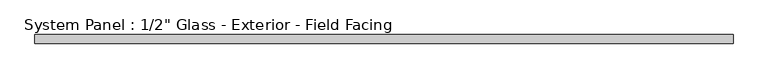
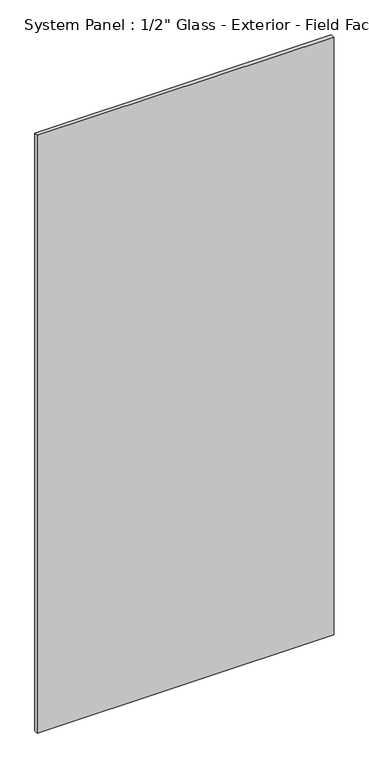
"""IFC4 building model written with IfcOpenShell, lengths in millimetres: plate geometry."""

import ifcopenshell
import ifcopenshell.guid

model = None  # the IFC model being written
_history = None  # IfcOwnerHistory: only IFC2X3 demands one
_inside = {}  # id of a spatial element -> (the spatial element, [elements in it])
_under = {}  # id of a project, library or spatial element -> (it, [spatial elements below it])
_declared = {}  # id of a project -> (the project, [libraries it declares])
_typed = {}  # id of a type object -> (the type object, [elements of that type])
_made_of = {}  # id of a material, layer set ... -> (it, [elements and type objects made of it])


def new_model(schema):
    """Start an empty IFC model of exactly this schema.

    Asked for "IFC4X3", IfcOpenShell would pick the latest addendum, in which some entities
    have other attributes; the version numbers below select the first issue.
    IFC2X3 requires an IfcOwnerHistory on every rooted entity: one is made here for all.
    """
    global model, _history
    if schema == "IFC4X3":
        model = ifcopenshell.file(schema_version=(4, 3, 0, 0))
    else:
        model = ifcopenshell.file(schema=schema)
    _inside.clear()
    _under.clear()
    _declared.clear()
    _typed.clear()
    _made_of.clear()
    _history = None
    if model.schema == "IFC2X3":
        org = make("IfcOrganization", Name="unknown")
        user = make(
            "IfcPersonAndOrganization",
            ThePerson=make("IfcPerson", FamilyName="unknown"),
            TheOrganization=org,
        )
        app = make(
            "IfcApplication",
            ApplicationDeveloper=org,
            Version="unknown",
            ApplicationFullName="unknown",
            ApplicationIdentifier="unknown",
        )
        _history = make(
            "IfcOwnerHistory",
            OwningUser=user,
            OwningApplication=app,
            ChangeAction="ADDED",
            CreationDate=0,
        )
    return model


def make(cls, **values):
    """One entity of the class cls with the attributes given. An attribute that is None is left unset."""
    return model.create_entity(
        cls, **{name: value for name, value in values.items() if value is not None}
    )


def rooted(cls, **values):
    """An entity with a GlobalId (a new one), such as an element, a storey or a relation."""
    return make(cls, GlobalId=ifcopenshell.guid.new(), OwnerHistory=_history, **values)


def si_unit(unit_type, name, prefix=None):
    """IfcSIUnit, for example si_unit("LENGTHUNIT", "METRE", prefix="MILLI")."""
    return make("IfcSIUnit", UnitType=unit_type, Prefix=prefix, Name=name)


def assignment(units):
    """IfcUnitAssignment: the units of a project."""
    return None if units is None else make("IfcUnitAssignment", Units=units)


def point(xyz):
    """IfcCartesianPoint."""
    return None if xyz is None else make("IfcCartesianPoint", Coordinates=xyz)


def direction(xyz):
    """IfcDirection."""
    return None if xyz is None else make("IfcDirection", DirectionRatios=xyz)


def frame(location, z_axis=None, x_axis=None):
    """IfcAxis2Placement3D, a coordinate frame: its origin and axes. An axis left out is left unset."""
    return make(
        "IfcAxis2Placement3D",
        Location=point(location),
        Axis=direction(z_axis),
        RefDirection=direction(x_axis),
    )


def origin():
    """The frame at (0, 0, 0) with its axes left unset."""
    return frame((0.0, 0.0, 0.0))


def origin_with_axes():
    """The frame at (0, 0, 0) with the z axis (0, 0, 1) and the x axis (1, 0, 0) written out."""
    return frame((0.0, 0.0, 0.0), z_axis=(0.0, 0.0, 1.0), x_axis=(1.0, 0.0, 0.0))


def place(relative_to, where):
    """IfcLocalPlacement: puts the frame where relative to a parent placement (None: the world)."""
    return make(
        "IfcLocalPlacement", PlacementRelTo=relative_to, RelativePlacement=where
    )


def context(
    kind, dimensions, precision=None, world=None, true_north=None, identifier=None
):
    """IfcGeometricRepresentationContext, for example the 3D "Model" context."""
    return make(
        "IfcGeometricRepresentationContext",
        ContextIdentifier=identifier,
        ContextType=kind,
        CoordinateSpaceDimension=dimensions,
        Precision=precision,
        WorldCoordinateSystem=world,
        TrueNorth=true_north,
    )


def project(units=None, contexts=None):
    """IfcProject with its units and contexts."""
    return rooted(
        "IfcProject",
        Name="project",
        RepresentationContexts=contexts,
        UnitsInContext=assignment(units),
    )


def spatial(cls, under=None, at=None, **own):
    """A site, building, storey or space (cls), placed at a placement, below another one or the project."""
    s = rooted(cls, ObjectPlacement=at, **own)
    if under is not None:
        _under.setdefault(under.id(), (under, []))[1].append(s)
    return s


def polyline(points):
    """IfcPolyline through the points."""
    return make("IfcPolyline", Points=[point(p) for p in points])


def outline(outer, holes=None, kind="AREA"):
    """IfcArbitraryClosedProfileDef: a profile drawn as a closed curve; with holes, ...WithVoids."""
    if holes is None:
        return make("IfcArbitraryClosedProfileDef", ProfileType=kind, OuterCurve=outer)
    return make(
        "IfcArbitraryProfileDefWithVoids",
        ProfileType=kind,
        OuterCurve=outer,
        InnerCurves=holes,
    )


def extrude(swept, where, along, depth):
    """IfcExtrudedAreaSolid: the profile swept, set in the frame where, extruded along a direction by depth."""
    return make(
        "IfcExtrudedAreaSolid",
        SweptArea=swept,
        Position=where,
        ExtrudedDirection=direction(along),
        Depth=depth,
    )


def shape(context_of_items, identifier, shape_type, items):
    """IfcShapeRepresentation: the items that make up one representation, for example the "Body"."""
    return make(
        "IfcShapeRepresentation",
        ContextOfItems=context_of_items,
        RepresentationIdentifier=identifier,
        RepresentationType=shape_type,
        Items=items,
    )


def source(mapping_origin, context_of_items, identifier, shape_type, items):
    """IfcRepresentationMap: a shape defined once, which mapped items show again and again."""
    return make(
        "IfcRepresentationMap",
        MappingOrigin=mapping_origin,
        MappedRepresentation=shape(context_of_items, identifier, shape_type, items),
    )


def transform(
    local_origin,
    x_axis=None,
    y_axis=None,
    z_axis=None,
    scale=None,
    scale2=None,
    scale3=None,
    uniform=True,
):
    """IfcCartesianTransformationOperator3D, or its non-uniform kind. x_axis, y_axis, z_axis: its Axis1, 2, 3."""
    if uniform:
        return make(
            "IfcCartesianTransformationOperator3D",
            Axis1=direction(x_axis),
            Axis2=direction(y_axis),
            LocalOrigin=point(local_origin),
            Scale=scale,
            Axis3=direction(z_axis),
        )
    return make(
        "IfcCartesianTransformationOperator3DnonUniform",
        Axis1=direction(x_axis),
        Axis2=direction(y_axis),
        LocalOrigin=point(local_origin),
        Scale=scale,
        Axis3=direction(z_axis),
        Scale2=scale2,
        Scale3=scale3,
    )


def mapped(mapping_source, mapping_target):
    """IfcMappedItem: shows the shape of a source again, moved by a transform."""
    return make(
        "IfcMappedItem", MappingSource=mapping_source, MappingTarget=mapping_target
    )


def made_of(thing, what):
    """Note that an element or type object is made of a material, layer set ...; save() writes the relation."""
    if what is not None:
        _made_of.setdefault(what.id(), (what, []))[1].append(thing)
    return thing


def element(
    cls,
    number,
    at=None,
    inside=None,
    cuts=None,
    type_object=None,
    material=None,
    context=None,
    identifier="Body",
    shape_type=None,
    held_by="IfcProductDefinitionShape",
    body=None,
    shapes=None,
    **own,
):
    """One element of the class cls, such as IfcWall. Its Tag is "e" and its number.

    at: its placement. inside: the storey or other place that contains it. cuts: it is an
    opening in that element (IfcRelVoidsElement). A single representation is given by context,
    identifier, shape_type and body (its items); several are given by shapes. held_by: the class
    of the entity that holds the representations. save() writes the other relations.
    """
    e = rooted(cls, Tag="e%d" % number, ObjectPlacement=at, **own)
    if body is not None:
        shapes = [shape(context, identifier, shape_type, body)]
    if shapes is not None:
        e.Representation = make(held_by, Representations=shapes)
    if inside is not None:
        _inside.setdefault(inside.id(), (inside, []))[1].append(e)
    if cuts is not None:
        rooted(
            "IfcRelVoidsElement", RelatingBuildingElement=cuts, RelatedOpeningElement=e
        )
    if type_object is not None:
        _typed.setdefault(type_object.id(), (type_object, []))[1].append(e)
    return made_of(e, material)


def aggregate(whole, parts):
    """IfcRelAggregates: a whole, such as a stair, and the parts it consists of."""
    return rooted("IfcRelAggregates", RelatingObject=whole, RelatedObjects=parts)


def save(model, path):
    """Write the relations noted so far, then the file.

    IfcRelAggregates (storeys below a building ...), IfcRelContainedInSpatialStructure (elements
    in a storey), IfcRelDefinesByType, IfcRelAssociatesMaterial and IfcRelDeclares: one each for
    every whole, place, type object, material and project.
    """
    for whole, parts in _under.values():
        aggregate(whole, parts)
    for where, things in _inside.values():
        rooted(
            "IfcRelContainedInSpatialStructure",
            RelatedElements=things,
            RelatingStructure=where,
        )
    for kind, things in _typed.values():
        rooted("IfcRelDefinesByType", RelatedObjects=things, RelatingType=kind)
    for what, things in _made_of.values():
        rooted("IfcRelAssociatesMaterial", RelatedObjects=things, RelatingMaterial=what)
    for by, libraries in _declared.values():
        rooted("IfcRelDeclares", RelatingContext=by, RelatedDefinitions=libraries)
    model.write(path)


def plate_d5b5adbc(model_context):
    return source(origin(), model_context, "Body", "SweptSolid", [
        extrude(outline(polyline([(521.6363636, -11.55), (-521.6363636, -11.55), (-521.6363636, 1.95), (521.6363636, 1.95), (521.6363636, -11.55)])), origin_with_axes(), (0.0, 0.0, 1.0), 2223.15),
    ])


if __name__ == "__main__":
    model = new_model("IFC4")
    model_context = context("Model", 3, world=origin())
    ifc_project = project(units=[si_unit("LENGTHUNIT", "METRE", prefix="MILLI")], contexts=[model_context])
    site = spatial("IfcSite", under=ifc_project)
    building = spatial("IfcBuilding", under=site)
    placement = place(None, origin())
    plate_shape = plate_d5b5adbc(model_context)
    element("IfcPlate", 1, ObjectType="System Panel : 1/2\" Glass - Exterior - Field Facing", at=placement, inside=building, context=model_context, shape_type="MappedRepresentation", body=[
        mapped(plate_shape, transform((0.0, 0.0, 0.0), x_axis=(1.0, 0.0, 0.0), y_axis=(0.0, 1.0, 0.0), z_axis=(0.0, 0.0, 1.0))),
    ])
    save(model, "model.ifc")
